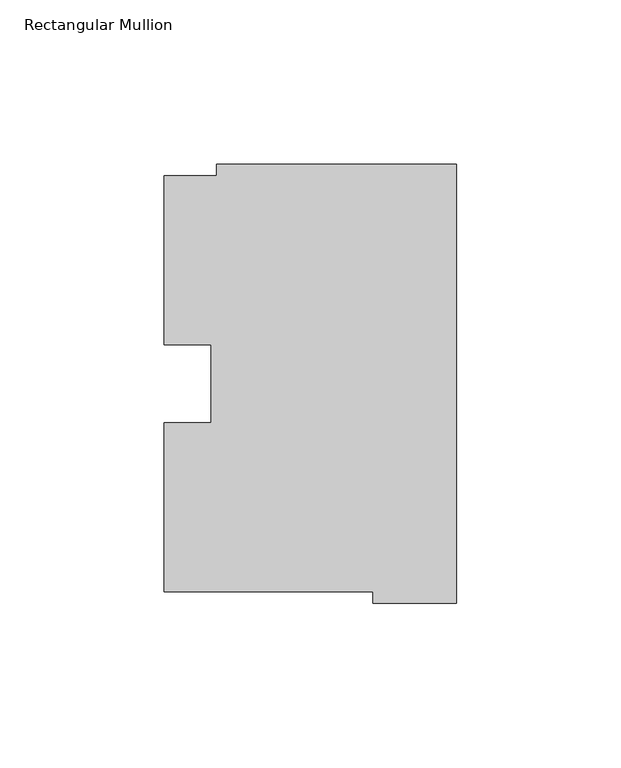
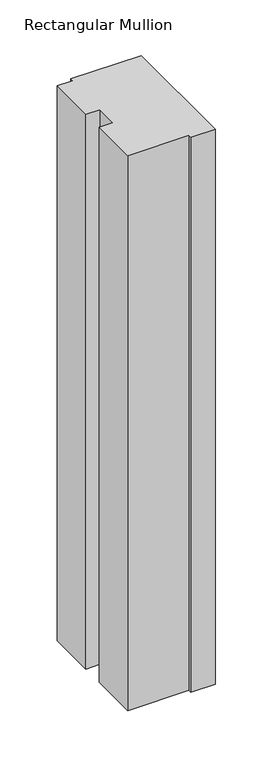
"""IFC4 building model written with IfcOpenShell, lengths in millimetres: member geometry, Rectangular Mullion."""

from ifc_helpers import new_model, si_unit, frame, origin, place, context, project, spatial, polyline, outline, extrude, source, transform, mapped, element, save


def rectangular_mullion_1a3c2367(model_context):
    return source(origin(), model_context, "Body", "SweptSolid", [
        extrude(outline(polyline([(-88.8822228, 126.75235), (-72.9776553, 126.75235), (-72.9776553, 130.1706837), (0.0, 130.1706837), (0.0, -3.193538), (-25.3822228, -3.193538), (-25.3822228, 0.26035), (-88.8822228, 0.26035), (-88.8822228, 51.60645), (-74.6074228, 51.60645), (-74.6074228, 75.40625), (-88.8822228, 75.40625), (-88.8822228, 126.75235)])), frame((0.0, 0.0, -609.6), z_axis=(0.0, 0.0, 1.0), x_axis=(1.0, 0.0, 0.0)), (0.0, 0.0, 1.0), 609.6),
    ])


if __name__ == "__main__":
    model = new_model("IFC4")
    model_context = context("Model", 3, world=origin())
    ifc_project = project(units=[si_unit("LENGTHUNIT", "METRE", prefix="MILLI")], contexts=[model_context])
    site = spatial("IfcSite", under=ifc_project)
    building = spatial("IfcBuilding", under=site)
    placement = place(None, origin())
    rectangular_mullion_shape = rectangular_mullion_1a3c2367(model_context)
    element("IfcMember", 1, ObjectType="Rectangular Mullion", at=placement, inside=building, context=model_context, shape_type="MappedRepresentation", body=[
        mapped(rectangular_mullion_shape, transform((0.0, 0.0, 0.0), x_axis=(1.0, 0.0, 0.0), y_axis=(0.0, 1.0, 0.0), z_axis=(0.0, 0.0, 1.0))),
    ])
    save(model, "model.ifc")
